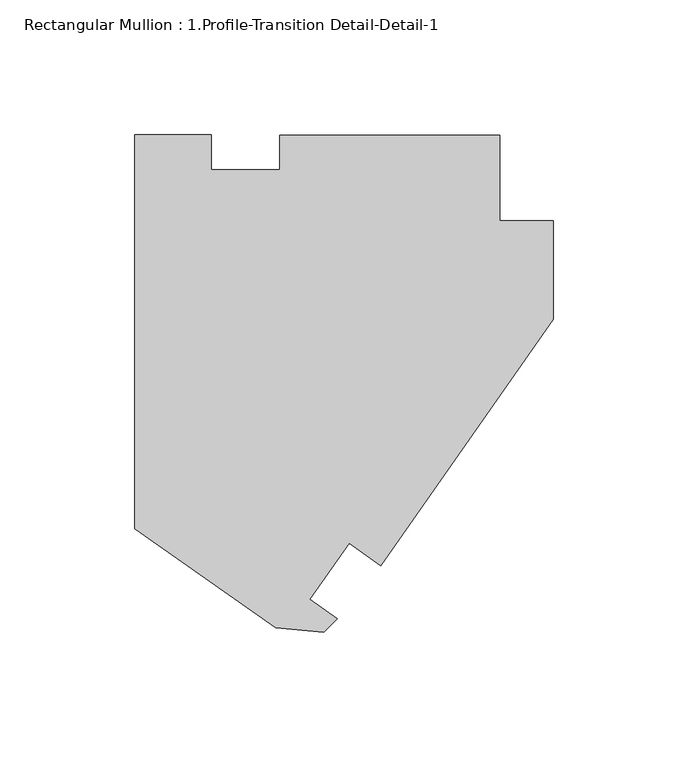
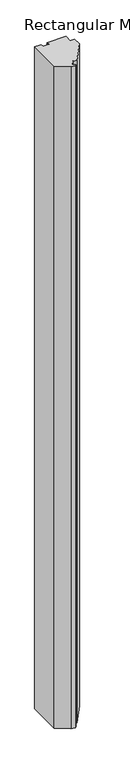
"""IFC4 building model written with IfcOpenShell, lengths in millimetres: member geometry, Rectangular Mullion : 1.Profile-Transition Detail-Detail-1."""

import ifcopenshell
import ifcopenshell.guid

model = None  # the IFC model being written
_history = None  # IfcOwnerHistory: only IFC2X3 demands one
_inside = {}  # id of a spatial element -> (the spatial element, [elements in it])
_under = {}  # id of a project, library or spatial element -> (it, [spatial elements below it])
_declared = {}  # id of a project -> (the project, [libraries it declares])
_typed = {}  # id of a type object -> (the type object, [elements of that type])
_made_of = {}  # id of a material, layer set ... -> (it, [elements and type objects made of it])


def new_model(schema):
    """Start an empty IFC model of exactly this schema.

    Asked for "IFC4X3", IfcOpenShell would pick the latest addendum, in which some entities
    have other attributes; the version numbers below select the first issue.
    IFC2X3 requires an IfcOwnerHistory on every rooted entity: one is made here for all.
    """
    global model, _history
    if schema == "IFC4X3":
        model = ifcopenshell.file(schema_version=(4, 3, 0, 0))
    else:
        model = ifcopenshell.file(schema=schema)
    _inside.clear()
    _under.clear()
    _declared.clear()
    _typed.clear()
    _made_of.clear()
    _history = None
    if model.schema == "IFC2X3":
        org = make("IfcOrganization", Name="unknown")
        user = make(
            "IfcPersonAndOrganization",
            ThePerson=make("IfcPerson", FamilyName="unknown"),
            TheOrganization=org,
        )
        app = make(
            "IfcApplication",
            ApplicationDeveloper=org,
            Version="unknown",
            ApplicationFullName="unknown",
            ApplicationIdentifier="unknown",
        )
        _history = make(
            "IfcOwnerHistory",
            OwningUser=user,
            OwningApplication=app,
            ChangeAction="ADDED",
            CreationDate=0,
        )
    return model


def make(cls, **values):
    """One entity of the class cls with the attributes given. An attribute that is None is left unset."""
    return model.create_entity(
        cls, **{name: value for name, value in values.items() if value is not None}
    )


def rooted(cls, **values):
    """An entity with a GlobalId (a new one), such as an element, a storey or a relation."""
    return make(cls, GlobalId=ifcopenshell.guid.new(), OwnerHistory=_history, **values)


def si_unit(unit_type, name, prefix=None):
    """IfcSIUnit, for example si_unit("LENGTHUNIT", "METRE", prefix="MILLI")."""
    return make("IfcSIUnit", UnitType=unit_type, Prefix=prefix, Name=name)


def assignment(units):
    """IfcUnitAssignment: the units of a project."""
    return None if units is None else make("IfcUnitAssignment", Units=units)


def point(xyz):
    """IfcCartesianPoint."""
    return None if xyz is None else make("IfcCartesianPoint", Coordinates=xyz)


def direction(xyz):
    """IfcDirection."""
    return None if xyz is None else make("IfcDirection", DirectionRatios=xyz)


def frame(location, z_axis=None, x_axis=None):
    """IfcAxis2Placement3D, a coordinate frame: its origin and axes. An axis left out is left unset."""
    return make(
        "IfcAxis2Placement3D",
        Location=point(location),
        Axis=direction(z_axis),
        RefDirection=direction(x_axis),
    )


def origin():
    """The frame at (0, 0, 0) with its axes left unset."""
    return frame((0.0, 0.0, 0.0))


def place(relative_to, where):
    """IfcLocalPlacement: puts the frame where relative to a parent placement (None: the world)."""
    return make(
        "IfcLocalPlacement", PlacementRelTo=relative_to, RelativePlacement=where
    )


def context(
    kind, dimensions, precision=None, world=None, true_north=None, identifier=None
):
    """IfcGeometricRepresentationContext, for example the 3D "Model" context."""
    return make(
        "IfcGeometricRepresentationContext",
        ContextIdentifier=identifier,
        ContextType=kind,
        CoordinateSpaceDimension=dimensions,
        Precision=precision,
        WorldCoordinateSystem=world,
        TrueNorth=true_north,
    )


def project(units=None, contexts=None):
    """IfcProject with its units and contexts."""
    return rooted(
        "IfcProject",
        Name="project",
        RepresentationContexts=contexts,
        UnitsInContext=assignment(units),
    )


def spatial(cls, under=None, at=None, **own):
    """A site, building, storey or space (cls), placed at a placement, below another one or the project."""
    s = rooted(cls, ObjectPlacement=at, **own)
    if under is not None:
        _under.setdefault(under.id(), (under, []))[1].append(s)
    return s


def polyline(points):
    """IfcPolyline through the points."""
    return make("IfcPolyline", Points=[point(p) for p in points])


def outline(outer, holes=None, kind="AREA"):
    """IfcArbitraryClosedProfileDef: a profile drawn as a closed curve; with holes, ...WithVoids."""
    if holes is None:
        return make("IfcArbitraryClosedProfileDef", ProfileType=kind, OuterCurve=outer)
    return make(
        "IfcArbitraryProfileDefWithVoids",
        ProfileType=kind,
        OuterCurve=outer,
        InnerCurves=holes,
    )


def extrude(swept, where, along, depth):
    """IfcExtrudedAreaSolid: the profile swept, set in the frame where, extruded along a direction by depth."""
    return make(
        "IfcExtrudedAreaSolid",
        SweptArea=swept,
        Position=where,
        ExtrudedDirection=direction(along),
        Depth=depth,
    )


def shape(context_of_items, identifier, shape_type, items):
    """IfcShapeRepresentation: the items that make up one representation, for example the "Body"."""
    return make(
        "IfcShapeRepresentation",
        ContextOfItems=context_of_items,
        RepresentationIdentifier=identifier,
        RepresentationType=shape_type,
        Items=items,
    )


def source(mapping_origin, context_of_items, identifier, shape_type, items):
    """IfcRepresentationMap: a shape defined once, which mapped items show again and again."""
    return make(
        "IfcRepresentationMap",
        MappingOrigin=mapping_origin,
        MappedRepresentation=shape(context_of_items, identifier, shape_type, items),
    )


def transform(
    local_origin,
    x_axis=None,
    y_axis=None,
    z_axis=None,
    scale=None,
    scale2=None,
    scale3=None,
    uniform=True,
):
    """IfcCartesianTransformationOperator3D, or its non-uniform kind. x_axis, y_axis, z_axis: its Axis1, 2, 3."""
    if uniform:
        return make(
            "IfcCartesianTransformationOperator3D",
            Axis1=direction(x_axis),
            Axis2=direction(y_axis),
            LocalOrigin=point(local_origin),
            Scale=scale,
            Axis3=direction(z_axis),
        )
    return make(
        "IfcCartesianTransformationOperator3DnonUniform",
        Axis1=direction(x_axis),
        Axis2=direction(y_axis),
        LocalOrigin=point(local_origin),
        Scale=scale,
        Axis3=direction(z_axis),
        Scale2=scale2,
        Scale3=scale3,
    )


def mapped(mapping_source, mapping_target):
    """IfcMappedItem: shows the shape of a source again, moved by a transform."""
    return make(
        "IfcMappedItem", MappingSource=mapping_source, MappingTarget=mapping_target
    )


def made_of(thing, what):
    """Note that an element or type object is made of a material, layer set ...; save() writes the relation."""
    if what is not None:
        _made_of.setdefault(what.id(), (what, []))[1].append(thing)
    return thing


def element(
    cls,
    number,
    at=None,
    inside=None,
    cuts=None,
    type_object=None,
    material=None,
    context=None,
    identifier="Body",
    shape_type=None,
    held_by="IfcProductDefinitionShape",
    body=None,
    shapes=None,
    **own,
):
    """One element of the class cls, such as IfcWall. Its Tag is "e" and its number.

    at: its placement. inside: the storey or other place that contains it. cuts: it is an
    opening in that element (IfcRelVoidsElement). A single representation is given by context,
    identifier, shape_type and body (its items); several are given by shapes. held_by: the class
    of the entity that holds the representations. save() writes the other relations.
    """
    e = rooted(cls, Tag="e%d" % number, ObjectPlacement=at, **own)
    if body is not None:
        shapes = [shape(context, identifier, shape_type, body)]
    if shapes is not None:
        e.Representation = make(held_by, Representations=shapes)
    if inside is not None:
        _inside.setdefault(inside.id(), (inside, []))[1].append(e)
    if cuts is not None:
        rooted(
            "IfcRelVoidsElement", RelatingBuildingElement=cuts, RelatedOpeningElement=e
        )
    if type_object is not None:
        _typed.setdefault(type_object.id(), (type_object, []))[1].append(e)
    return made_of(e, material)


def aggregate(whole, parts):
    """IfcRelAggregates: a whole, such as a stair, and the parts it consists of."""
    return rooted("IfcRelAggregates", RelatingObject=whole, RelatedObjects=parts)


def save(model, path):
    """Write the relations noted so far, then the file.

    IfcRelAggregates (storeys below a building ...), IfcRelContainedInSpatialStructure (elements
    in a storey), IfcRelDefinesByType, IfcRelAssociatesMaterial and IfcRelDeclares: one each for
    every whole, place, type object, material and project.
    """
    for whole, parts in _under.values():
        aggregate(whole, parts)
    for where, things in _inside.values():
        rooted(
            "IfcRelContainedInSpatialStructure",
            RelatedElements=things,
            RelatingStructure=where,
        )
    for kind, things in _typed.values():
        rooted("IfcRelDefinesByType", RelatedObjects=things, RelatingType=kind)
    for what, things in _made_of.values():
        rooted("IfcRelAssociatesMaterial", RelatedObjects=things, RelatingMaterial=what)
    for by, libraries in _declared.values():
        rooted("IfcRelDeclares", RelatingContext=by, RelatedDefinitions=libraries)
    model.write(path)


def rectangular_mullion_1_profile_transition_detail_detail_1_7026c43c(model_context):
    return source(origin(), model_context, "Body", "SweptSolid", [
        extrude(outline(polyline([(-101.6270861, 145.9989181), (-19.8374, 145.9839181), (-19.8374, 114.2339181), (0.0, 114.2339181), (0.0, 77.7467277), (-64.1546544, -13.8756141), (-75.8556277, -5.6808922), (-90.4260452, -26.4926784), (-80.3207294, -33.5684967), (-85.3498862, -38.5976534), (-103.0333119, -37.0493177), (-155.5909543, -0.253495), (-155.6011261, 146.3366651), (-127.0124955, 146.3366651), (-127.0124955, 133.2839689), (-101.6270861, 133.2839689), (-101.6270861, 145.9989181)])), frame((0.0, 0.0, -3048.0), z_axis=(0.0, 0.0, 1.0), x_axis=(1.0, 0.0, 0.0)), (0.0, 0.0, 1.0), 3048.0),
    ])


if __name__ == "__main__":
    model = new_model("IFC4")
    model_context = context("Model", 3, world=origin())
    ifc_project = project(units=[si_unit("LENGTHUNIT", "METRE", prefix="MILLI")], contexts=[model_context])
    site = spatial("IfcSite", under=ifc_project)
    building = spatial("IfcBuilding", under=site)
    placement = place(None, origin())
    rectangular_mullion_1_profile_transition_detail_detail_1_shape = rectangular_mullion_1_profile_transition_detail_detail_1_7026c43c(model_context)
    element("IfcMember", 1, ObjectType="Rectangular Mullion : 1.Profile-Transition Detail-Detail-1", at=placement, inside=building, context=model_context, shape_type="MappedRepresentation", body=[
        mapped(rectangular_mullion_1_profile_transition_detail_detail_1_shape, transform((0.0, 0.0, 0.0), x_axis=(1.0, 0.0, 0.0), y_axis=(0.0, 1.0, 0.0), z_axis=(0.0, 0.0, 1.0))),
    ])
    save(model, "model.ifc")
